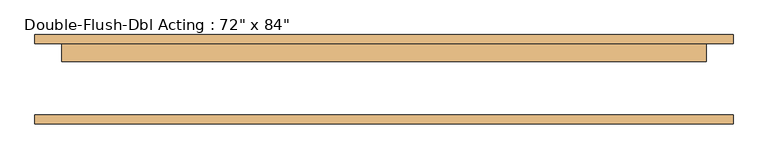
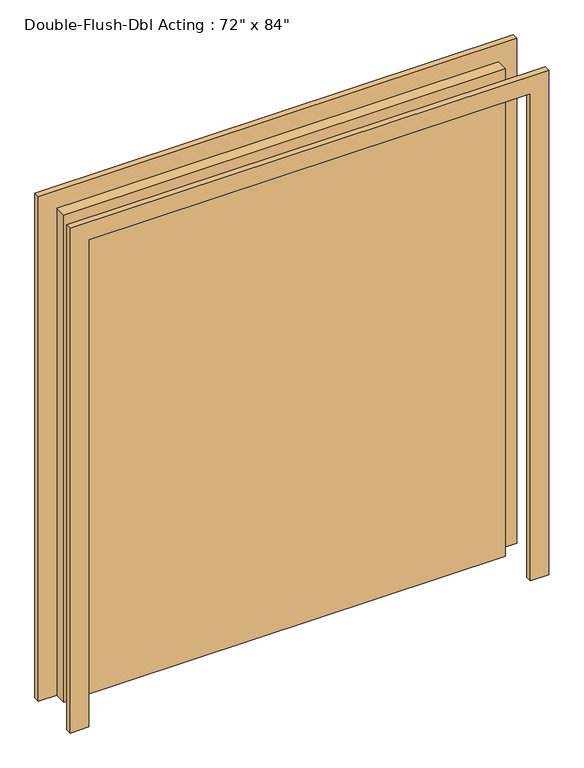
"""IFC4 building model written with IfcOpenShell, lengths in millimetres: door geometry."""

import ifcopenshell
import ifcopenshell.guid

model = None  # the IFC model being written
_history = None  # IfcOwnerHistory: only IFC2X3 demands one
_inside = {}  # id of a spatial element -> (the spatial element, [elements in it])
_under = {}  # id of a project, library or spatial element -> (it, [spatial elements below it])
_declared = {}  # id of a project -> (the project, [libraries it declares])
_typed = {}  # id of a type object -> (the type object, [elements of that type])
_made_of = {}  # id of a material, layer set ... -> (it, [elements and type objects made of it])


def new_model(schema):
    """Start an empty IFC model of exactly this schema.

    Asked for "IFC4X3", IfcOpenShell would pick the latest addendum, in which some entities
    have other attributes; the version numbers below select the first issue.
    IFC2X3 requires an IfcOwnerHistory on every rooted entity: one is made here for all.
    """
    global model, _history
    if schema == "IFC4X3":
        model = ifcopenshell.file(schema_version=(4, 3, 0, 0))
    else:
        model = ifcopenshell.file(schema=schema)
    _inside.clear()
    _under.clear()
    _declared.clear()
    _typed.clear()
    _made_of.clear()
    _history = None
    if model.schema == "IFC2X3":
        org = make("IfcOrganization", Name="unknown")
        user = make(
            "IfcPersonAndOrganization",
            ThePerson=make("IfcPerson", FamilyName="unknown"),
            TheOrganization=org,
        )
        app = make(
            "IfcApplication",
            ApplicationDeveloper=org,
            Version="unknown",
            ApplicationFullName="unknown",
            ApplicationIdentifier="unknown",
        )
        _history = make(
            "IfcOwnerHistory",
            OwningUser=user,
            OwningApplication=app,
            ChangeAction="ADDED",
            CreationDate=0,
        )
    return model


def make(cls, **values):
    """One entity of the class cls with the attributes given. An attribute that is None is left unset."""
    return model.create_entity(
        cls, **{name: value for name, value in values.items() if value is not None}
    )


def rooted(cls, **values):
    """An entity with a GlobalId (a new one), such as an element, a storey or a relation."""
    return make(cls, GlobalId=ifcopenshell.guid.new(), OwnerHistory=_history, **values)


def si_unit(unit_type, name, prefix=None):
    """IfcSIUnit, for example si_unit("LENGTHUNIT", "METRE", prefix="MILLI")."""
    return make("IfcSIUnit", UnitType=unit_type, Prefix=prefix, Name=name)


def assignment(units):
    """IfcUnitAssignment: the units of a project."""
    return None if units is None else make("IfcUnitAssignment", Units=units)


def point(xyz):
    """IfcCartesianPoint."""
    return None if xyz is None else make("IfcCartesianPoint", Coordinates=xyz)


def direction(xyz):
    """IfcDirection."""
    return None if xyz is None else make("IfcDirection", DirectionRatios=xyz)


def frame(location, z_axis=None, x_axis=None):
    """IfcAxis2Placement3D, a coordinate frame: its origin and axes. An axis left out is left unset."""
    return make(
        "IfcAxis2Placement3D",
        Location=point(location),
        Axis=direction(z_axis),
        RefDirection=direction(x_axis),
    )


def origin():
    """The frame at (0, 0, 0) with its axes left unset."""
    return frame((0.0, 0.0, 0.0))


def origin_with_axes():
    """The frame at (0, 0, 0) with the z axis (0, 0, 1) and the x axis (1, 0, 0) written out."""
    return frame((0.0, 0.0, 0.0), z_axis=(0.0, 0.0, 1.0), x_axis=(1.0, 0.0, 0.0))


def place(relative_to, where):
    """IfcLocalPlacement: puts the frame where relative to a parent placement (None: the world)."""
    return make(
        "IfcLocalPlacement", PlacementRelTo=relative_to, RelativePlacement=where
    )


def context(
    kind, dimensions, precision=None, world=None, true_north=None, identifier=None
):
    """IfcGeometricRepresentationContext, for example the 3D "Model" context."""
    return make(
        "IfcGeometricRepresentationContext",
        ContextIdentifier=identifier,
        ContextType=kind,
        CoordinateSpaceDimension=dimensions,
        Precision=precision,
        WorldCoordinateSystem=world,
        TrueNorth=true_north,
    )


def project(units=None, contexts=None):
    """IfcProject with its units and contexts."""
    return rooted(
        "IfcProject",
        Name="project",
        RepresentationContexts=contexts,
        UnitsInContext=assignment(units),
    )


def spatial(cls, under=None, at=None, **own):
    """A site, building, storey or space (cls), placed at a placement, below another one or the project."""
    s = rooted(cls, ObjectPlacement=at, **own)
    if under is not None:
        _under.setdefault(under.id(), (under, []))[1].append(s)
    return s


def polyline(points):
    """IfcPolyline through the points."""
    return make("IfcPolyline", Points=[point(p) for p in points])


def outline(outer, holes=None, kind="AREA"):
    """IfcArbitraryClosedProfileDef: a profile drawn as a closed curve; with holes, ...WithVoids."""
    if holes is None:
        return make("IfcArbitraryClosedProfileDef", ProfileType=kind, OuterCurve=outer)
    return make(
        "IfcArbitraryProfileDefWithVoids",
        ProfileType=kind,
        OuterCurve=outer,
        InnerCurves=holes,
    )


def extrude(swept, where, along, depth):
    """IfcExtrudedAreaSolid: the profile swept, set in the frame where, extruded along a direction by depth."""
    return make(
        "IfcExtrudedAreaSolid",
        SweptArea=swept,
        Position=where,
        ExtrudedDirection=direction(along),
        Depth=depth,
    )


def shape(context_of_items, identifier, shape_type, items):
    """IfcShapeRepresentation: the items that make up one representation, for example the "Body"."""
    return make(
        "IfcShapeRepresentation",
        ContextOfItems=context_of_items,
        RepresentationIdentifier=identifier,
        RepresentationType=shape_type,
        Items=items,
    )


def source(mapping_origin, context_of_items, identifier, shape_type, items):
    """IfcRepresentationMap: a shape defined once, which mapped items show again and again."""
    return make(
        "IfcRepresentationMap",
        MappingOrigin=mapping_origin,
        MappedRepresentation=shape(context_of_items, identifier, shape_type, items),
    )


def transform(
    local_origin,
    x_axis=None,
    y_axis=None,
    z_axis=None,
    scale=None,
    scale2=None,
    scale3=None,
    uniform=True,
):
    """IfcCartesianTransformationOperator3D, or its non-uniform kind. x_axis, y_axis, z_axis: its Axis1, 2, 3."""
    if uniform:
        return make(
            "IfcCartesianTransformationOperator3D",
            Axis1=direction(x_axis),
            Axis2=direction(y_axis),
            LocalOrigin=point(local_origin),
            Scale=scale,
            Axis3=direction(z_axis),
        )
    return make(
        "IfcCartesianTransformationOperator3DnonUniform",
        Axis1=direction(x_axis),
        Axis2=direction(y_axis),
        LocalOrigin=point(local_origin),
        Scale=scale,
        Axis3=direction(z_axis),
        Scale2=scale2,
        Scale3=scale3,
    )


def mapped(mapping_source, mapping_target):
    """IfcMappedItem: shows the shape of a source again, moved by a transform."""
    return make(
        "IfcMappedItem", MappingSource=mapping_source, MappingTarget=mapping_target
    )


def made_of(thing, what):
    """Note that an element or type object is made of a material, layer set ...; save() writes the relation."""
    if what is not None:
        _made_of.setdefault(what.id(), (what, []))[1].append(thing)
    return thing


def element(
    cls,
    number,
    at=None,
    inside=None,
    cuts=None,
    type_object=None,
    material=None,
    context=None,
    identifier="Body",
    shape_type=None,
    held_by="IfcProductDefinitionShape",
    body=None,
    shapes=None,
    **own,
):
    """One element of the class cls, such as IfcWall. Its Tag is "e" and its number.

    at: its placement. inside: the storey or other place that contains it. cuts: it is an
    opening in that element (IfcRelVoidsElement). A single representation is given by context,
    identifier, shape_type and body (its items); several are given by shapes. held_by: the class
    of the entity that holds the representations. save() writes the other relations.
    """
    e = rooted(cls, Tag="e%d" % number, ObjectPlacement=at, **own)
    if body is not None:
        shapes = [shape(context, identifier, shape_type, body)]
    if shapes is not None:
        e.Representation = make(held_by, Representations=shapes)
    if inside is not None:
        _inside.setdefault(inside.id(), (inside, []))[1].append(e)
    if cuts is not None:
        rooted(
            "IfcRelVoidsElement", RelatingBuildingElement=cuts, RelatedOpeningElement=e
        )
    if type_object is not None:
        _typed.setdefault(type_object.id(), (type_object, []))[1].append(e)
    return made_of(e, material)


def aggregate(whole, parts):
    """IfcRelAggregates: a whole, such as a stair, and the parts it consists of."""
    return rooted("IfcRelAggregates", RelatingObject=whole, RelatedObjects=parts)


def save(model, path):
    """Write the relations noted so far, then the file.

    IfcRelAggregates (storeys below a building ...), IfcRelContainedInSpatialStructure (elements
    in a storey), IfcRelDefinesByType, IfcRelAssociatesMaterial and IfcRelDeclares: one each for
    every whole, place, type object, material and project.
    """
    for whole, parts in _under.values():
        aggregate(whole, parts)
    for where, things in _inside.values():
        rooted(
            "IfcRelContainedInSpatialStructure",
            RelatedElements=things,
            RelatingStructure=where,
        )
    for kind, things in _typed.values():
        rooted("IfcRelDefinesByType", RelatedObjects=things, RelatingType=kind)
    for what, things in _made_of.values():
        rooted("IfcRelAssociatesMaterial", RelatedObjects=things, RelatingMaterial=what)
    for by, libraries in _declared.values():
        rooted("IfcRelDeclares", RelatingContext=by, RelatedDefinitions=libraries)
    model.write(path)


def door_28fb07e5(model_context):
    return source(origin(), model_context, "Body", "SweptSolid", [
        extrude(outline(polyline([(2209.8, -990.6), (0.0, -990.6), (0.0, -914.4), (2133.6, -914.4), (2133.6, 914.4), (0.0, 914.4), (0.0, 990.6), (2209.8, 990.6), (2209.8, -990.6)])), frame((0.0, 101.6, 0.0), z_axis=(0.0, 1.0, 0.0), x_axis=(0.0, 0.0, 1.0)), (0.0, 0.0, 1.0), 25.4),
        extrude(outline(polyline([(-914.4, 101.6), (914.4, 101.6), (914.4, 50.8), (-914.4, 50.8), (-914.4, 101.6)])), origin_with_axes(), (0.0, 0.0, 1.0), 2133.6),
        extrude(outline(polyline([(2133.6, -914.4), (2133.6, 914.4), (0.0, 914.4), (0.0, 990.6), (2209.8, 990.6), (2209.8, -990.6), (0.0, -990.6), (0.0, -914.4), (2133.6, -914.4)])), frame((0.0, -127.0, 0.0), z_axis=(0.0, 1.0, 0.0), x_axis=(0.0, 0.0, 1.0)), (0.0, 0.0, 1.0), 25.4),
    ])


if __name__ == "__main__":
    model = new_model("IFC4")
    model_context = context("Model", 3, world=origin())
    ifc_project = project(units=[si_unit("LENGTHUNIT", "METRE", prefix="MILLI")], contexts=[model_context])
    site = spatial("IfcSite", under=ifc_project)
    building = spatial("IfcBuilding", under=site)
    placement = place(None, origin())
    door_shape = door_28fb07e5(model_context)
    element("IfcDoor", 1, ObjectType="Double-Flush-Dbl Acting : 72\" x 84\"", at=placement, inside=building, context=model_context, shape_type="MappedRepresentation", body=[
        mapped(door_shape, transform((0.0, 0.0, 0.0), x_axis=(1.0, 0.0, 0.0), y_axis=(0.0, 1.0, 0.0), z_axis=(0.0, 0.0, 1.0))),
    ])
    save(model, "model.ifc")
